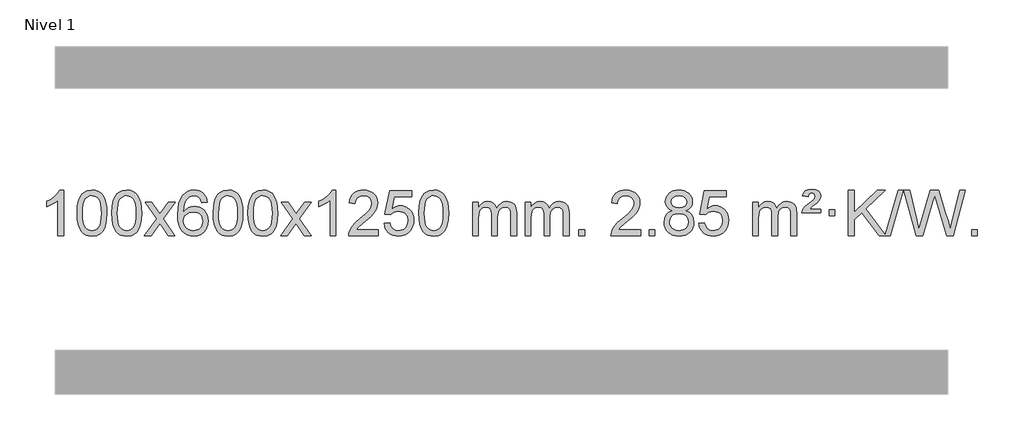
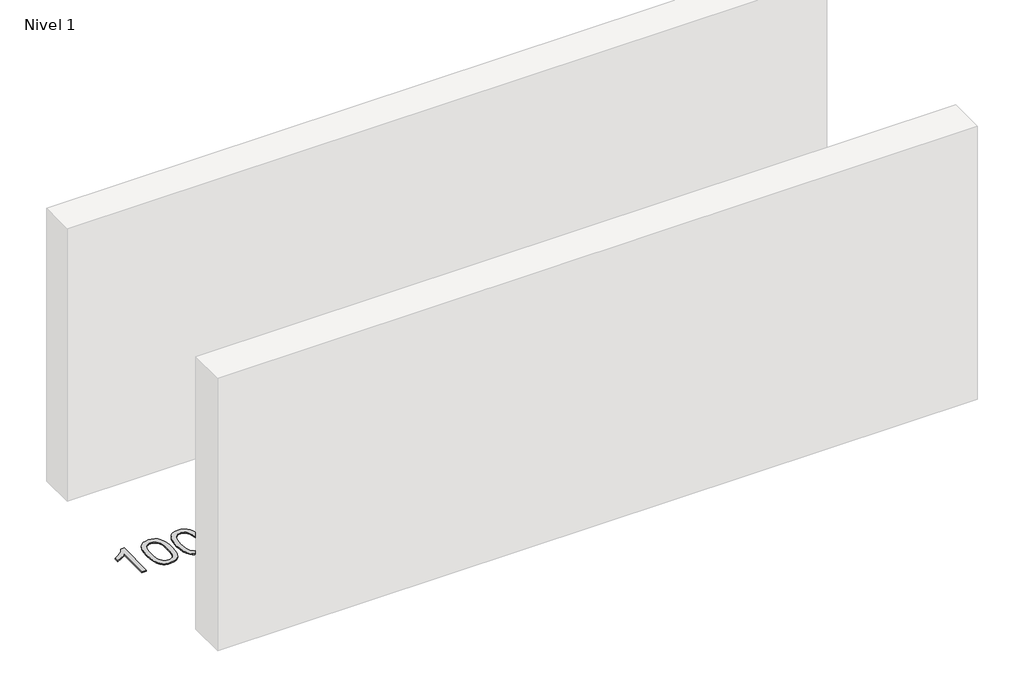
# One storey, part 6 of 6: 1 proxy.
"""IFC4 building model written with IfcOpenShell, lengths in millimetres."""

import ifcopenshell
import ifcopenshell.guid

model = None  # the IFC model being written
_history = None  # IfcOwnerHistory: only IFC2X3 demands one
_inside = {}  # id of a spatial element -> (the spatial element, [elements in it])
_under = {}  # id of a project, library or spatial element -> (it, [spatial elements below it])
_declared = {}  # id of a project -> (the project, [libraries it declares])
_typed = {}  # id of a type object -> (the type object, [elements of that type])
_made_of = {}  # id of a material, layer set ... -> (it, [elements and type objects made of it])


def new_model(schema):
    """Start an empty IFC model of exactly this schema.

    Asked for "IFC4X3", IfcOpenShell would pick the latest addendum, in which some entities
    have other attributes; the version numbers below select the first issue.
    IFC2X3 requires an IfcOwnerHistory on every rooted entity: one is made here for all.
    """
    global model, _history
    if schema == "IFC4X3":
        model = ifcopenshell.file(schema_version=(4, 3, 0, 0))
    else:
        model = ifcopenshell.file(schema=schema)
    _inside.clear()
    _under.clear()
    _declared.clear()
    _typed.clear()
    _made_of.clear()
    _history = None
    if model.schema == "IFC2X3":
        org = make("IfcOrganization", Name="unknown")
        user = make(
            "IfcPersonAndOrganization",
            ThePerson=make("IfcPerson", FamilyName="unknown"),
            TheOrganization=org,
        )
        app = make(
            "IfcApplication",
            ApplicationDeveloper=org,
            Version="unknown",
            ApplicationFullName="unknown",
            ApplicationIdentifier="unknown",
        )
        _history = make(
            "IfcOwnerHistory",
            OwningUser=user,
            OwningApplication=app,
            ChangeAction="ADDED",
            CreationDate=0,
        )
    return model


def make(cls, **values):
    """One entity of the class cls with the attributes given. An attribute that is None is left unset."""
    return model.create_entity(
        cls, **{name: value for name, value in values.items() if value is not None}
    )


def rooted(cls, **values):
    """An entity with a GlobalId (a new one), such as an element, a storey or a relation."""
    return make(cls, GlobalId=ifcopenshell.guid.new(), OwnerHistory=_history, **values)


def si_unit(unit_type, name, prefix=None):
    """IfcSIUnit, for example si_unit("LENGTHUNIT", "METRE", prefix="MILLI")."""
    return make("IfcSIUnit", UnitType=unit_type, Prefix=prefix, Name=name)


def assignment(units):
    """IfcUnitAssignment: the units of a project."""
    return None if units is None else make("IfcUnitAssignment", Units=units)


def point(xyz):
    """IfcCartesianPoint."""
    return None if xyz is None else make("IfcCartesianPoint", Coordinates=xyz)


def direction(xyz):
    """IfcDirection."""
    return None if xyz is None else make("IfcDirection", DirectionRatios=xyz)


def frame(location, z_axis=None, x_axis=None):
    """IfcAxis2Placement3D, a coordinate frame: its origin and axes. An axis left out is left unset."""
    return make(
        "IfcAxis2Placement3D",
        Location=point(location),
        Axis=direction(z_axis),
        RefDirection=direction(x_axis),
    )


def origin():
    """The frame at (0, 0, 0) with its axes left unset."""
    return frame((0.0, 0.0, 0.0))


def origin_with_axes():
    """The frame at (0, 0, 0) with the z axis (0, 0, 1) and the x axis (1, 0, 0) written out."""
    return frame((0.0, 0.0, 0.0), z_axis=(0.0, 0.0, 1.0), x_axis=(1.0, 0.0, 0.0))


def place(relative_to, where):
    """IfcLocalPlacement: puts the frame where relative to a parent placement (None: the world)."""
    return make(
        "IfcLocalPlacement", PlacementRelTo=relative_to, RelativePlacement=where
    )


def context(
    kind, dimensions, precision=None, world=None, true_north=None, identifier=None
):
    """IfcGeometricRepresentationContext, for example the 3D "Model" context."""
    return make(
        "IfcGeometricRepresentationContext",
        ContextIdentifier=identifier,
        ContextType=kind,
        CoordinateSpaceDimension=dimensions,
        Precision=precision,
        WorldCoordinateSystem=world,
        TrueNorth=true_north,
    )


def project(units=None, contexts=None):
    """IfcProject with its units and contexts."""
    return rooted(
        "IfcProject",
        Name="project",
        RepresentationContexts=contexts,
        UnitsInContext=assignment(units),
    )


def spatial(cls, under=None, at=None, **own):
    """A site, building, storey or space (cls), placed at a placement, below another one or the project."""
    s = rooted(cls, ObjectPlacement=at, **own)
    if under is not None:
        _under.setdefault(under.id(), (under, []))[1].append(s)
    return s


def polyline(points):
    """IfcPolyline through the points."""
    return make("IfcPolyline", Points=[point(p) for p in points])


def outline(outer, holes=None, kind="AREA"):
    """IfcArbitraryClosedProfileDef: a profile drawn as a closed curve; with holes, ...WithVoids."""
    if holes is None:
        return make("IfcArbitraryClosedProfileDef", ProfileType=kind, OuterCurve=outer)
    return make(
        "IfcArbitraryProfileDefWithVoids",
        ProfileType=kind,
        OuterCurve=outer,
        InnerCurves=holes,
    )


def extrude(swept, where, along, depth):
    """IfcExtrudedAreaSolid: the profile swept, set in the frame where, extruded along a direction by depth."""
    return make(
        "IfcExtrudedAreaSolid",
        SweptArea=swept,
        Position=where,
        ExtrudedDirection=direction(along),
        Depth=depth,
    )


def shape(context_of_items, identifier, shape_type, items):
    """IfcShapeRepresentation: the items that make up one representation, for example the "Body"."""
    return make(
        "IfcShapeRepresentation",
        ContextOfItems=context_of_items,
        RepresentationIdentifier=identifier,
        RepresentationType=shape_type,
        Items=items,
    )


def made_of(thing, what):
    """Note that an element or type object is made of a material, layer set ...; save() writes the relation."""
    if what is not None:
        _made_of.setdefault(what.id(), (what, []))[1].append(thing)
    return thing


def element(
    cls,
    number,
    at=None,
    inside=None,
    cuts=None,
    type_object=None,
    material=None,
    context=None,
    identifier="Body",
    shape_type=None,
    held_by="IfcProductDefinitionShape",
    body=None,
    shapes=None,
    **own,
):
    """One element of the class cls, such as IfcWall. Its Tag is "e" and its number.

    at: its placement. inside: the storey or other place that contains it. cuts: it is an
    opening in that element (IfcRelVoidsElement). A single representation is given by context,
    identifier, shape_type and body (its items); several are given by shapes. held_by: the class
    of the entity that holds the representations. save() writes the other relations.
    """
    e = rooted(cls, Tag="e%d" % number, ObjectPlacement=at, **own)
    if body is not None:
        shapes = [shape(context, identifier, shape_type, body)]
    if shapes is not None:
        e.Representation = make(held_by, Representations=shapes)
    if inside is not None:
        _inside.setdefault(inside.id(), (inside, []))[1].append(e)
    if cuts is not None:
        rooted(
            "IfcRelVoidsElement", RelatingBuildingElement=cuts, RelatedOpeningElement=e
        )
    if type_object is not None:
        _typed.setdefault(type_object.id(), (type_object, []))[1].append(e)
    return made_of(e, material)


def aggregate(whole, parts):
    """IfcRelAggregates: a whole, such as a stair, and the parts it consists of."""
    return rooted("IfcRelAggregates", RelatingObject=whole, RelatedObjects=parts)


def save(model, path):
    """Write the relations noted so far, then the file.

    IfcRelAggregates (storeys below a building ...), IfcRelContainedInSpatialStructure (elements
    in a storey), IfcRelDefinesByType, IfcRelAssociatesMaterial and IfcRelDeclares: one each for
    every whole, place, type object, material and project.
    """
    for whole, parts in _under.values():
        aggregate(whole, parts)
    for where, things in _inside.values():
        rooted(
            "IfcRelContainedInSpatialStructure",
            RelatedElements=things,
            RelatingStructure=where,
        )
    for kind, things in _typed.values():
        rooted("IfcRelDefinesByType", RelatedObjects=things, RelatingType=kind)
    for what, things in _made_of.values():
        rooted("IfcRelAssociatesMaterial", RelatedObjects=things, RelatingMaterial=what)
    for by, libraries in _declared.values():
        rooted("IfcRelDeclares", RelatingContext=by, RelatedDefinitions=libraries)
    model.write(path)


model = new_model("IFC4")

# Units and contexts
model_context = context("Model", 3, world=origin())
ifc_project = project(units=[si_unit("LENGTHUNIT", "METRE", prefix="MILLI")], contexts=[model_context])

# Site, building, storey
site = spatial("IfcSite", under=ifc_project)
building = spatial("IfcBuilding", under=site)
storey = spatial("IfcBuildingStorey", under=building, Name="Nivel 1", Elevation=0.0)

# Proxy
placement = place(None, origin())
element("IfcBuildingElementProxy", 1, Name="Texto de modelo 1", ObjectType="Texto de modelo 1", at=placement, inside=storey, context=model_context, shape_type="SweptSolid", body=[
    extrude(outline(polyline([(-13245.4422492, -10099.6168569), (-13295.6704043, -10099.6168569), (-13295.6704043, -9786.4757026), (-13316.639678, -9803.4350626), (-13343.249809, -9820.3698971), (-13396.1267145, -9845.7292293), (-13396.1267145, -9798.2479264), (-13356.6775018, -9776.7881434), (-13322.5012645, -9751.2571329), (-13295.5600397, -9724.1074417), (-13277.8158648, -9697.7916163), (-13245.4422492, -9697.7916163), (-13245.4422492, -10099.6168569)])), origin_with_axes(), (0.0, 0.0, 1.0), 10.0),
    extrude(outline(polyline([(-13126.1503809, -9901.9415981), (-13122.4592982, -9837.6235626), (-13111.3860502, -9786.3285498), (-13093.0410014, -9747.2717446), (-13081.1829384, -9732.0383643), (-13067.5345164, -9719.6683323), (-13052.0497501, -9710.097269), (-13034.6826542, -9703.2607953), (-12994.3014739, -9697.7916163), (-12963.3503353, -9701.0289778), (-12935.6365584, -9710.7410625), (-12912.4599927, -9726.5477256), (-12895.120488, -9748.0688223), (-12882.0238889, -9775.1204117), (-12871.5760403, -9807.5185527), (-12864.7334352, -9848.6600225), (-12862.4525668, -9901.9415981), (-12866.1068613, -9965.8917516), (-12877.0697447, -10017.0641372), (-12895.304429, -10056.1577305), (-12907.1349008, -10071.437096), (-12920.7741258, -10083.8715075), (-12936.2772862, -10093.5069501), (-12953.6995643, -10100.3894091), (-12994.3014739, -10105.8953763), (-13021.9661999, -10103.5041433), (-13046.4916662, -10096.3304444), (-13067.8778729, -10084.3742795), (-13086.1248199, -10067.6356488), (-13103.6360028, -10037.3773547), (-13116.1439907, -9999.6755815), (-13123.6487834, -9954.5303293), (-13126.1503809, -9901.9415981)]), holes=[polyline([(-13075.9222259, -9901.8434963), (-13074.4506979, -9945.5080234), (-13070.0361139, -9980.8522861), (-13062.678474, -10007.8762843), (-13052.3777782, -10026.5800181), (-13039.9188413, -10039.3056694), (-13026.0864782, -10048.3954204), (-13010.8806891, -10053.849271), (-12994.3014739, -10055.6672212), (-12977.7222586, -10053.8431396), (-12962.5164695, -10048.3708949), (-12948.6841065, -10039.2504871), (-12936.2251696, -10026.4819162), (-12925.9244737, -10007.7475256), (-12918.5668338, -9980.7296588), (-12914.1522498, -9945.4283156), (-12912.6807219, -9901.8434963), (-12914.1031989, -9859.3347317), (-12918.3706301, -9824.6128027), (-12925.4830153, -9797.6777093), (-12935.4403546, -9778.5294515), (-12947.6908251, -9765.1814664), (-12961.6826036, -9755.6471914), (-12977.4156903, -9749.9266264), (-12994.8900851, -9748.0197713), (-13011.3834612, -9749.6997658), (-13026.3317329, -9754.7397491), (-13039.7349003, -9763.1397213), (-13051.5929632, -9774.8996825), (-13062.2370156, -9795.7463289), (-13069.8399102, -9823.8525133), (-13074.4016469, -9859.2182358), (-13075.9222259, -9901.8434963)])]), origin_with_axes(), (0.0, 0.0, 1.0), 10.0),
    extrude(outline(polyline([(-12818.5029311, -9901.9415981), (-12814.8118484, -9837.6235626), (-12803.7386004, -9786.3285498), (-12785.3935515, -9747.2717446), (-12773.5354886, -9732.0383643), (-12759.8870665, -9719.6683323), (-12744.4023002, -9710.097269), (-12727.0352044, -9703.2607953), (-12686.654024, -9697.7916163), (-12655.7028855, -9701.0289778), (-12627.9891085, -9710.7410625), (-12604.8125428, -9726.5477256), (-12587.4730381, -9748.0688223), (-12574.3764391, -9775.1204117), (-12563.9285904, -9807.5185527), (-12557.0859853, -9848.6600225), (-12554.805117, -9901.9415981), (-12558.4594114, -9965.8917516), (-12569.4222949, -10017.0641372), (-12587.6569791, -10056.1577305), (-12599.487451, -10071.437096), (-12613.1266759, -10083.8715075), (-12628.6298363, -10093.5069501), (-12646.0521145, -10100.3894091), (-12686.654024, -10105.8953763), (-12714.3187501, -10103.5041433), (-12738.8442164, -10096.3304444), (-12760.2304231, -10084.3742795), (-12778.47737, -10067.6356488), (-12795.988553, -10037.3773547), (-12808.4965408, -9999.6755815), (-12816.0013335, -9954.5303293), (-12818.5029311, -9901.9415981)]), holes=[polyline([(-12768.274776, -9901.8434963), (-12766.803248, -9945.5080234), (-12762.3886641, -9980.8522861), (-12755.0310242, -10007.8762843), (-12744.7303283, -10026.5800181), (-12732.2713914, -10039.3056694), (-12718.4390284, -10048.3954204), (-12703.2332393, -10053.849271), (-12686.654024, -10055.6672212), (-12670.0748088, -10053.8431396), (-12654.8690196, -10048.3708949), (-12641.0366566, -10039.2504871), (-12628.5777197, -10026.4819162), (-12618.2770239, -10007.7475256), (-12610.919384, -9980.7296588), (-12606.5048, -9945.4283156), (-12605.033272, -9901.8434963), (-12606.4557491, -9859.3347317), (-12610.7231802, -9824.6128027), (-12617.8355655, -9797.6777093), (-12627.7929048, -9778.5294515), (-12640.0433752, -9765.1814664), (-12654.0351538, -9755.6471914), (-12669.7682404, -9749.9266264), (-12687.2426352, -9748.0197713), (-12703.7360113, -9749.6997658), (-12718.6842831, -9754.7397491), (-12732.0874504, -9763.1397213), (-12743.9455134, -9774.8996825), (-12754.5895658, -9795.7463289), (-12762.1924604, -9823.8525133), (-12766.7541971, -9859.2182358), (-12768.274776, -9901.8434963)])]), origin_with_axes(), (0.0, 0.0, 1.0), 10.0),
    extrude(outline(polyline([(-12529.6910394, -10099.6168569), (-12422.3675987, -9951.2868364), (-12523.41252, -9804.5264458), (-12462.981771, -9804.5264458), (-12414.2251439, -9875.1597889), (-12391.4655111, -9908.5144231), (-12371.7470362, -9881.2421045), (-12316.2213804, -9804.5264458), (-12255.7906313, -9804.5264458), (-12361.9368496, -9951.2868364), (-12259.7147059, -10099.6168569), (-12320.145455, -10099.6168569), (-12381.6553246, -10010.4422612), (-12392.9370391, -9994.1573516), (-12469.2602903, -10099.6168569), (-12529.6910394, -10099.6168569)])), origin_with_axes(), (0.0, 0.0, 1.0), 10.0),
    extrude(outline(polyline([(-11970.9028142, -9804.5264458), (-12021.1309693, -9810.8049652), (-12029.2243732, -9785.9116168), (-12040.1627312, -9768.9154687), (-12062.9468894, -9753.2436957), (-12090.4889881, -9748.0197713), (-12113.8372321, -9751.0609292), (-12135.8120499, -9760.1844027), (-12154.6843963, -9779.4001055), (-12170.0986519, -9805.850821), (-12180.5097123, -9843.2644199), (-12184.3724733, -9895.3687731), (-12164.2248027, -9871.8611137), (-12140.0794811, -9855.2941611), (-12113.2854091, -9845.4717119), (-12085.1914874, -9842.1975621), (-12061.0584285, -9844.4355109), (-12038.7893051, -9851.1493573), (-12018.3841171, -9862.3391013), (-11999.8428645, -9878.004743), (-11984.4347403, -9897.2143145), (-11973.4289372, -9919.0358482), (-11966.8254554, -9943.469344), (-11964.6242948, -9970.514802), (-11968.7690986, -10006.4813984), (-11981.2035101, -10039.8237699), (-12000.8974596, -10068.1016326), (-12026.8208775, -10088.8747026), (-12057.7965415, -10101.6402078), (-12092.6472291, -10105.8953763), (-12122.5897579, -10103.0749476), (-12149.6321502, -10094.6136617), (-12173.7744061, -10080.5115186), (-12195.0165257, -10060.7685182), (-12212.3345706, -10034.5507947), (-12224.7046027, -10001.0244822), (-12232.1266219, -9960.1895807), (-12234.6006284, -9912.0460903), (-12231.8537761, -9858.0716702), (-12223.6132194, -9812.006713), (-12209.8789583, -9773.8512188), (-12190.6509927, -9743.6051874), (-12169.8104776, -9723.56175), (-12145.6467619, -9709.2450091), (-12118.1598455, -9700.6549645), (-12087.3497284, -9697.7916163), (-12064.2160823, -9699.5635812), (-12043.2774654, -9704.879476), (-12024.5338777, -9713.7393008), (-12007.9853193, -9726.1430554), (-11994.0793799, -9741.6738069), (-11983.2636492, -9759.9146225), (-11975.5381274, -9780.8655021), (-11970.9028142, -9804.5264458)]), holes=[polyline([(-12184.3724733, -9969.7299871), (-12181.4662055, -9991.9868478), (-12172.7474022, -10013.2381644), (-12159.2093448, -10031.5096368), (-12141.8453146, -10044.8269651), (-12120.8883036, -10052.9571571), (-12096.5713038, -10055.6672212), (-12063.425136, -10050.0508894), (-12049.5099995, -10043.0304746), (-12037.366828, -10033.201894), (-12027.5167876, -10020.9636863), (-12020.4810444, -10006.7143904), (-12014.8524499, -9972.1825337), (-12020.407468, -9939.036366), (-12027.3512407, -9925.4155351), (-12037.0725224, -9913.7628729), (-12049.2524821, -9904.4278673), (-12063.5722888, -9897.7600061), (-12098.6314429, -9892.4257172), (-12131.7285598, -9897.7600061), (-12159.4055485, -9913.7628729), (-12170.3285781, -9925.2622509), (-12178.1307421, -9938.4232293), (-12182.8120405, -9953.245808), (-12184.3724733, -9969.7299871)])]), origin_with_axes(), (0.0, 0.0, 1.0), 10.0),
    extrude(outline(polyline([(-11920.6746591, -9901.9415981), (-11916.9835765, -9837.6235626), (-11905.9103284, -9786.3285498), (-11887.5652796, -9747.2717446), (-11875.7072166, -9732.0383643), (-11862.0587946, -9719.6683323), (-11846.5740283, -9710.097269), (-11829.2069324, -9703.2607953), (-11788.8257521, -9697.7916163), (-11757.8746135, -9701.0289778), (-11730.1608366, -9710.7410625), (-11706.9842709, -9726.5477256), (-11689.6447662, -9748.0688223), (-11676.5481671, -9775.1204117), (-11666.1003185, -9807.5185527), (-11659.2577134, -9848.6600225), (-11656.976845, -9901.9415981), (-11660.6311395, -9965.8917516), (-11671.5940229, -10017.0641372), (-11689.8287072, -10056.1577305), (-11701.659179, -10071.437096), (-11715.298404, -10083.8715075), (-11730.8015644, -10093.5069501), (-11748.2238425, -10100.3894091), (-11788.8257521, -10105.8953763), (-11816.4904781, -10103.5041433), (-11841.0159444, -10096.3304444), (-11862.4021511, -10084.3742795), (-11880.6490981, -10067.6356488), (-11898.160281, -10037.3773547), (-11910.6682689, -9999.6755815), (-11918.1730616, -9954.5303293), (-11920.6746591, -9901.9415981)]), holes=[polyline([(-11870.4465041, -9901.8434963), (-11868.9749761, -9945.5080234), (-11864.5603921, -9980.8522861), (-11857.2027522, -10007.8762843), (-11846.9020564, -10026.5800181), (-11834.4431195, -10039.3056694), (-11820.6107564, -10048.3954204), (-11805.4049673, -10053.849271), (-11788.8257521, -10055.6672212), (-11772.2465368, -10053.8431396), (-11757.0407477, -10048.3708949), (-11743.2083847, -10039.2504871), (-11730.7494478, -10026.4819162), (-11720.4487519, -10007.7475256), (-11713.091112, -9980.7296588), (-11708.676528, -9945.4283156), (-11707.2050001, -9901.8434963), (-11708.6274771, -9859.3347317), (-11712.8949083, -9824.6128027), (-11720.0072935, -9797.6777093), (-11729.9646328, -9778.5294515), (-11742.2151033, -9765.1814664), (-11756.2068818, -9755.6471914), (-11771.9399685, -9749.9266264), (-11789.4143633, -9748.0197713), (-11805.9077394, -9749.6997658), (-11820.8560111, -9754.7397491), (-11834.2591785, -9763.1397213), (-11846.1172414, -9774.8996825), (-11856.7612938, -9795.7463289), (-11864.3641884, -9823.8525133), (-11868.9259251, -9859.2182358), (-11870.4465041, -9901.8434963)])]), origin_with_axes(), (0.0, 0.0, 1.0), 10.0),
    extrude(outline(polyline([(-11613.0272093, -9901.9415981), (-11609.3361266, -9837.6235626), (-11598.2628786, -9786.3285498), (-11579.9178297, -9747.2717446), (-11568.0597668, -9732.0383643), (-11554.4113447, -9719.6683323), (-11538.9265784, -9710.097269), (-11521.5594826, -9703.2607953), (-11481.1783022, -9697.7916163), (-11450.2271637, -9701.0289778), (-11422.5133867, -9710.7410625), (-11399.336821, -9726.5477256), (-11381.9973163, -9748.0688223), (-11368.9007173, -9775.1204117), (-11358.4528686, -9807.5185527), (-11351.6102635, -9848.6600225), (-11349.3293952, -9901.9415981), (-11352.9836896, -9965.8917516), (-11363.9465731, -10017.0641372), (-11382.1812573, -10056.1577305), (-11394.0117292, -10071.437096), (-11407.6509541, -10083.8715075), (-11423.1541145, -10093.5069501), (-11440.5763927, -10100.3894091), (-11481.1783022, -10105.8953763), (-11508.8430283, -10103.5041433), (-11533.3684946, -10096.3304444), (-11554.7547013, -10084.3742795), (-11573.0016482, -10067.6356488), (-11590.5128312, -10037.3773547), (-11603.020819, -9999.6755815), (-11610.5256117, -9954.5303293), (-11613.0272093, -9901.9415981)]), holes=[polyline([(-11562.7990542, -9901.8434963), (-11561.3275262, -9945.5080234), (-11556.9129423, -9980.8522861), (-11549.5553024, -10007.8762843), (-11539.2546065, -10026.5800181), (-11526.7956696, -10039.3056694), (-11512.9633066, -10048.3954204), (-11497.7575175, -10053.849271), (-11481.1783022, -10055.6672212), (-11464.599087, -10053.8431396), (-11449.3932978, -10048.3708949), (-11435.5609348, -10039.2504871), (-11423.1019979, -10026.4819162), (-11412.8013021, -10007.7475256), (-11405.4436622, -9980.7296588), (-11401.0290782, -9945.4283156), (-11399.5575502, -9901.8434963), (-11400.9800273, -9859.3347317), (-11405.2474584, -9824.6128027), (-11412.3598437, -9797.6777093), (-11422.317183, -9778.5294515), (-11434.5676534, -9765.1814664), (-11448.559432, -9755.6471914), (-11464.2925187, -9749.9266264), (-11481.7669134, -9748.0197713), (-11498.2602895, -9749.6997658), (-11513.2085613, -9754.7397491), (-11526.6117286, -9763.1397213), (-11538.4697916, -9774.8996825), (-11549.113844, -9795.7463289), (-11556.7167386, -9823.8525133), (-11561.2784753, -9859.2182358), (-11562.7990542, -9901.8434963)])]), origin_with_axes(), (0.0, 0.0, 1.0), 10.0),
    extrude(outline(polyline([(-11324.2153176, -10099.6168569), (-11216.8918769, -9951.2868364), (-11317.9367982, -9804.5264458), (-11257.5060492, -9804.5264458), (-11208.7494221, -9875.1597889), (-11185.9897893, -9908.5144231), (-11166.2713144, -9881.2421045), (-11110.7456586, -9804.5264458), (-11050.3149095, -9804.5264458), (-11156.4611278, -9951.2868364), (-11054.2389841, -10099.6168569), (-11114.6697332, -10099.6168569), (-11176.1796028, -10010.4422612), (-11187.4613173, -9994.1573516), (-11263.7845685, -10099.6168569), (-11324.2153176, -10099.6168569)])), origin_with_axes(), (0.0, 0.0, 1.0), 10.0),
    extrude(outline(polyline([(-10834.4908056, -10099.6168569), (-10884.7189607, -10099.6168569), (-10884.7189607, -9786.4757026), (-10905.6882344, -9803.4350626), (-10932.2983654, -9820.3698971), (-10985.1752709, -9845.7292293), (-10985.1752709, -9798.2479264), (-10945.7260583, -9776.7881434), (-10911.5498209, -9751.2571329), (-10884.6085961, -9724.1074417), (-10866.8644212, -9697.7916163), (-10834.4908056, -9697.7916163), (-10834.4908056, -10099.6168569)])), origin_with_axes(), (0.0, 0.0, 1.0), 10.0),
    extrude(outline(polyline([(-10457.7796426, -10049.3887018), (-10457.7796426, -10099.6168569), (-10721.4774567, -10099.6168569), (-10720.3738107, -10081.9339956), (-10716.0818541, -10064.9868984), (-10703.6964936, -10037.9230463), (-10685.572174, -10011.6685346), (-10659.3544505, -9984.1877495), (-10622.6888783, -9953.4450775), (-10568.4875977, -9905.301587), (-10535.9668293, -9869.7641863), (-10519.7064451, -9840.9222379), (-10514.286317, -9812.8651044), (-10519.3998768, -9787.7142386), (-10534.740556, -9766.8062786), (-10558.3217919, -9752.7163982), (-10588.1570217, -9748.0197713), (-10619.4883049, -9752.6060336), (-10643.8298303, -9766.3648202), (-10659.5383915, -9788.2170107), (-10664.9707823, -9817.0834846), (-10715.1989373, -9810.8049652), (-10710.8793896, -9784.8754159), (-10703.0220433, -9762.2200164), (-10691.6268985, -9742.8387666), (-10676.6939552, -9726.7316666), (-10658.5665699, -9714.0703946), (-10637.5880991, -9705.0266288), (-10613.7585429, -9699.6003694), (-10587.0779012, -9697.7916163), (-10560.1581362, -9699.8027045), (-10536.1998212, -9705.8359692), (-10515.2029563, -9715.8914104), (-10497.1675415, -9729.9690281), (-10482.682188, -9747.02649), (-10472.3355069, -9766.0214636), (-10466.1274982, -9786.9539492), (-10464.058162, -9809.8239465), (-10466.2899794, -9833.8466408), (-10472.9854317, -9857.4524022), (-10484.8680202, -9881.4628337), (-10502.661246, -9906.6995386), (-10531.0249478, -9936.829074), (-10574.6189643, -9975.5179972), (-10632.400963, -10023.8331659), (-10655.0624939, -10049.3887018), (-10457.7796426, -10049.3887018)])), origin_with_axes(), (0.0, 0.0, 1.0), 10.0),
    extrude(outline(polyline([(-10407.5514875, -9992.8820273), (-10357.3233324, -9986.603508), (-10348.1017571, -10016.7575688), (-10332.0130512, -10038.3522419), (-10309.1307911, -10051.3384764), (-10279.5285532, -10055.6672212), (-10260.3986894, -10054.1619707), (-10243.5251686, -10049.6462192), (-10228.9079907, -10042.1199667), (-10216.5471556, -10031.5832132), (-10206.718575, -10018.5571249), (-10199.6981602, -10003.5628679), (-10194.0818284, -9967.6698479), (-10199.342541, -9933.8737553), (-10205.9184316, -9919.9555532), (-10215.1246786, -9908.0239138), (-10226.9919386, -9898.4528505), (-10241.5508686, -9891.6163768), (-10278.7437383, -9886.1471978), (-10303.1097891, -9888.3299643), (-10322.8405268, -9894.8782638), (-10338.5981389, -9904.9091796), (-10351.044813, -9917.5397947), (-10401.2729681, -9911.2612753), (-10357.3233324, -9704.0701357), (-10162.6892315, -9704.0701357), (-10162.6892315, -9754.2982907), (-10316.7091602, -9754.2982907), (-10338.1934687, -9864.9571949), (-10320.4676879, -9852.2530033), (-10302.3127114, -9843.1785808), (-10283.7285393, -9837.7339272), (-10264.7151715, -9835.9190427), (-10240.2540845, -9838.1692543), (-10217.7856917, -9844.9198889), (-10197.3099929, -9856.1709466), (-10178.8269884, -9871.9224273), (-10163.5261631, -9891.2117066), (-10152.5970021, -9913.0761598), (-10146.0395056, -9937.5157871), (-10143.8536734, -9964.5305882), (-10145.821842, -9990.552108), (-10151.7263481, -10014.7587433), (-10161.5671914, -10037.1504941), (-10175.3443722, -10057.7273604), (-10196.215544, -10078.8008673), (-10220.5693321, -10093.8533723), (-10248.4057364, -10102.8848753), (-10279.7247569, -10105.8953763), (-10305.6451092, -10103.9609301), (-10329.0577325, -10098.1575916), (-10349.9626268, -10088.4853608), (-10368.3597923, -10074.9442377), (-10383.666749, -10058.2086726), (-10395.3010171, -10038.9531159), (-10403.2625966, -10017.1775674), (-10407.5514875, -9992.8820273)])), origin_with_axes(), (0.0, 0.0, 1.0), 10.0),
    extrude(outline(polyline([(-10099.9040377, -9901.9415981), (-10096.212955, -9837.6235626), (-10085.1397069, -9786.3285498), (-10066.7946581, -9747.2717446), (-10054.9365951, -9732.0383643), (-10041.2881731, -9719.6683323), (-10025.8034068, -9710.097269), (-10008.4363109, -9703.2607953), (-9968.0551306, -9697.7916163), (-9937.1039921, -9701.0289778), (-9909.3902151, -9710.7410625), (-9886.2136494, -9726.5477256), (-9868.8741447, -9748.0688223), (-9855.7775457, -9775.1204117), (-9845.329697, -9807.5185527), (-9838.4870919, -9848.6600225), (-9836.2062235, -9901.9415981), (-9839.860518, -9965.8917516), (-9850.8234015, -10017.0641372), (-9869.0580857, -10056.1577305), (-9880.8885575, -10071.437096), (-9894.5277825, -10083.8715075), (-9910.0309429, -10093.5069501), (-9927.4532211, -10100.3894091), (-9968.0551306, -10105.8953763), (-9995.7198566, -10103.5041433), (-10020.245323, -10096.3304444), (-10041.6315296, -10084.3742795), (-10059.8784766, -10067.6356488), (-10077.3896596, -10037.3773547), (-10089.8976474, -9999.6755815), (-10097.4024401, -9954.5303293), (-10099.9040377, -9901.9415981)]), holes=[polyline([(-10049.6758826, -9901.8434963), (-10048.2043546, -9945.5080234), (-10043.7897707, -9980.8522861), (-10036.4321308, -10007.8762843), (-10026.1314349, -10026.5800181), (-10013.672498, -10039.3056694), (-9999.840135, -10048.3954204), (-9984.6343459, -10053.849271), (-9968.0551306, -10055.6672212), (-9951.4759154, -10053.8431396), (-9936.2701262, -10048.3708949), (-9922.4377632, -10039.2504871), (-9909.9788263, -10026.4819162), (-9899.6781304, -10007.7475256), (-9892.3204905, -9980.7296588), (-9887.9059066, -9945.4283156), (-9886.4343786, -9901.8434963), (-9887.8568557, -9859.3347317), (-9892.1242868, -9824.6128027), (-9899.236672, -9797.6777093), (-9909.1940114, -9778.5294515), (-9921.4444818, -9765.1814664), (-9935.4362604, -9755.6471914), (-9951.169347, -9749.9266264), (-9968.6437418, -9748.0197713), (-9985.1371179, -9749.6997658), (-10000.0853897, -9754.7397491), (-10013.488557, -9763.1397213), (-10025.34662, -9774.8996825), (-10035.9906724, -9795.7463289), (-10043.5935669, -9823.8525133), (-10048.1553037, -9859.2182358), (-10049.6758826, -9901.8434963)])]), origin_with_axes(), (0.0, 0.0, 1.0), 10.0),
    extrude(outline(polyline([(-9622.7365645, -10099.6168569), (-9622.7365645, -9804.5264458), (-9572.5084094, -9804.5264458), (-9572.5084094, -9853.0868692), (-9557.4007221, -9830.7809575), (-9537.9765528, -9813.3065628), (-9514.8980889, -9802.0125855), (-9488.8275182, -9798.2479264), (-9460.8930121, -9802.0861619), (-9438.5012613, -9813.6008684), (-9421.7748932, -9832.0317563), (-9410.8365352, -9856.6185363), (-9392.5282746, -9831.0813945), (-9371.64484, -9812.8405789), (-9348.1862315, -9801.8960895), (-9322.1524489, -9798.2479264), (-9302.0446322, -9799.7654397), (-9284.3954935, -9804.3179793), (-9269.2050328, -9811.9055455), (-9256.4732501, -9822.5281381), (-9246.4086118, -9836.3083845), (-9239.2195845, -9853.368912), (-9234.9061681, -9873.7097207), (-9233.4683626, -9897.3308105), (-9233.4683626, -10099.6168569), (-9283.6965177, -10099.6168569), (-9283.6965177, -9918.9132208), (-9284.8614774, -9893.860457), (-9288.3563563, -9876.9746734), (-9294.9046558, -9865.410916), (-9305.2298772, -9856.3242307), (-9318.5104172, -9850.4381188), (-9333.9246728, -9848.4760815), (-9361.1356777, -9853.5038021), (-9383.318962, -9868.5869639), (-9391.924335, -9880.1568526), (-9398.07103, -9894.7556365), (-9402.988386, -9933.0398895), (-9402.988386, -10099.6168569), (-9453.2165411, -10099.6168569), (-9453.2165411, -9913.3214145), (-9456.1228088, -9884.9209245), (-9464.8416121, -9864.6628893), (-9480.1822913, -9852.5227834), (-9502.9541868, -9848.4760815), (-9522.3047798, -9851.1738828), (-9540.1347938, -9859.2672867), (-9554.8500736, -9872.5600894), (-9564.8564639, -9890.8560873), (-9570.595423, -9916.239945), (-9572.5084094, -9950.7963271), (-9572.5084094, -10099.6168569), (-9622.7365645, -10099.6168569)])), origin_with_axes(), (0.0, 0.0, 1.0), 10.0),
    extrude(outline(polyline([(-9158.12613, -10099.6168569), (-9158.12613, -9804.5264458), (-9107.8979749, -9804.5264458), (-9107.8979749, -9853.0868692), (-9092.7902877, -9830.7809575), (-9073.3661183, -9813.3065628), (-9050.2876545, -9802.0125855), (-9024.2170838, -9798.2479264), (-8996.2825776, -9802.0861619), (-8973.8908268, -9813.6008684), (-8957.1644588, -9832.0317563), (-8946.2261008, -9856.6185363), (-8927.9178402, -9831.0813945), (-8907.0344056, -9812.8405789), (-8883.575797, -9801.8960895), (-8857.5420145, -9798.2479264), (-8837.4341978, -9799.7654397), (-8819.7850591, -9804.3179793), (-8804.5945983, -9811.9055455), (-8791.8628156, -9822.5281381), (-8781.7981774, -9836.3083845), (-8774.6091501, -9853.368912), (-8770.2957337, -9873.7097207), (-8768.8579282, -9897.3308105), (-8768.8579282, -10099.6168569), (-8819.0860833, -10099.6168569), (-8819.0860833, -9918.9132208), (-8820.2510429, -9893.860457), (-8823.7459219, -9876.9746734), (-8830.2942214, -9865.410916), (-8840.6194427, -9856.3242307), (-8853.8999827, -9850.4381188), (-8869.3142383, -9848.4760815), (-8896.5252433, -9853.5038021), (-8918.7085276, -9868.5869639), (-8927.3139006, -9880.1568526), (-8933.4605956, -9894.7556365), (-8938.3779516, -9933.0398895), (-8938.3779516, -10099.6168569), (-8988.6061066, -10099.6168569), (-8988.6061066, -9913.3214145), (-8991.5123744, -9884.9209245), (-9000.2311777, -9864.6628893), (-9015.5718569, -9852.5227834), (-9038.3437524, -9848.4760815), (-9057.6943453, -9851.1738828), (-9075.5243594, -9859.2672867), (-9090.2396392, -9872.5600894), (-9100.2460294, -9890.8560873), (-9105.9849886, -9916.239945), (-9107.8979749, -9950.7963271), (-9107.8979749, -10099.6168569), (-9158.12613, -10099.6168569)])), origin_with_axes(), (0.0, 0.0, 1.0), 10.0),
    extrude(outline(polyline([(-8680.9586568, -10099.6168569), (-8680.9586568, -10049.3887018), (-8630.7305017, -10049.3887018), (-8630.7305017, -10099.6168569), (-8680.9586568, -10099.6168569)])), origin_with_axes(), (0.0, 0.0, 1.0), 10.0),
    extrude(outline(polyline([(-8134.7274704, -10049.3887018), (-8134.7274704, -10099.6168569), (-8398.4252845, -10099.6168569), (-8397.3216385, -10081.9339956), (-8393.0296819, -10064.9868984), (-8380.6443214, -10037.9230463), (-8362.5200018, -10011.6685346), (-8336.3022783, -9984.1877495), (-8299.6367061, -9953.4450775), (-8245.4354255, -9905.301587), (-8212.9146571, -9869.7641863), (-8196.6542729, -9840.9222379), (-8191.2341448, -9812.8651044), (-8196.3477046, -9787.7142386), (-8211.6883838, -9766.8062786), (-8235.2696197, -9752.7163982), (-8265.1048495, -9748.0197713), (-8296.4361327, -9752.6060336), (-8320.7776581, -9766.3648202), (-8336.4862193, -9788.2170107), (-8341.9186101, -9817.0834846), (-8392.1467651, -9810.8049652), (-8387.8272174, -9784.8754159), (-8379.9698711, -9762.2200164), (-8368.5747263, -9742.8387666), (-8353.641783, -9726.7316666), (-8335.5143977, -9714.0703946), (-8314.5359269, -9705.0266288), (-8290.7063706, -9699.6003694), (-8264.0257289, -9697.7916163), (-8237.1059639, -9699.8027045), (-8213.147649, -9705.8359692), (-8192.1507841, -9715.8914104), (-8174.1153693, -9729.9690281), (-8159.6300158, -9747.02649), (-8149.2833346, -9766.0214636), (-8143.075326, -9786.9539492), (-8141.0059898, -9809.8239465), (-8143.2378072, -9833.8466408), (-8149.9332595, -9857.4524022), (-8161.815848, -9881.4628337), (-8179.6090738, -9906.6995386), (-8207.9727756, -9936.829074), (-8251.566792, -9975.5179972), (-8309.3487908, -10023.8331659), (-8332.0103217, -10049.3887018), (-8134.7274704, -10049.3887018)])), origin_with_axes(), (0.0, 0.0, 1.0), 10.0),
    extrude(outline(polyline([(-8059.3852378, -10099.6168569), (-8059.3852378, -10049.3887018), (-8009.1570827, -10049.3887018), (-8009.1570827, -10099.6168569), (-8059.3852378, -10099.6168569)])), origin_with_axes(), (0.0, 0.0, 1.0), 10.0),
    extrude(outline(polyline([(-7854.3523391, -9878.2990486), (-7881.244513, -9865.0552967), (-7900.1168593, -9847.1026554), (-7911.2636838, -9824.8090065), (-7914.9792919, -9798.542232), (-7912.9559409, -9778.0573363), (-7906.885888, -9759.2769604), (-7896.7691332, -9742.2011045), (-7882.6056763, -9726.8297684), (-7865.0760993, -9714.1255769), (-7844.8609836, -9705.0511543), (-7821.9603294, -9699.6065008), (-7796.3741367, -9697.7916163), (-7770.6653166, -9699.6494203), (-7747.5929841, -9705.2228326), (-7727.1571393, -9714.511853), (-7709.3577821, -9727.5164815), (-7694.9368079, -9743.1882545), (-7684.636112, -9760.4787082), (-7678.4556945, -9779.3878428), (-7676.3955553, -9799.9156581), (-7680.0621125, -9825.336304), (-7691.0617842, -9847.2498082), (-7709.5171976, -9865.0920849), (-7735.5509801, -9878.2990486), (-7704.6366298, -9894.228339), (-7682.1345144, -9917.6869475), (-7668.412516, -9947.5467028), (-7663.8385165, -9982.6794333), (-7666.1071222, -10007.7321972), (-7672.9129391, -10030.7002964), (-7684.2559673, -10051.583731), (-7700.1362067, -10070.382501), (-7719.7197916, -10085.9193839), (-7742.1728561, -10097.0171574), (-7767.4954001, -10103.6758215), (-7795.6874236, -10105.8953763), (-7823.8794472, -10103.6666245), (-7849.2019912, -10096.9803692), (-7871.6550556, -10085.8366105), (-7891.2386405, -10070.2353482), (-7907.11888, -10051.3047539), (-7918.4619081, -10030.1729989), (-7925.2677251, -10006.8400834), (-7927.5363307, -9981.3060072), (-7922.7783902, -9944.8121133), (-7908.5045688, -9914.7929425), (-7885.4506304, -9892.2785644), (-7854.3523391, -9878.2990486)]), holes=[polyline([(-7864.7511368, -9800.01376), (-7860.2997647, -9821.9395269), (-7846.9456483, -9839.4507099), (-7825.081195, -9850.9286281), (-7795.0988124, -9854.7546009), (-7765.8154056, -9850.9531536), (-7744.2820462, -9839.5488117), (-7731.0382943, -9822.62624), (-7726.6237104, -9802.2701029), (-7731.1854471, -9781.1414136), (-7744.8706574, -9763.6670189), (-7766.6983224, -9751.9315832), (-7795.6874236, -9748.0197713), (-7824.8604658, -9751.8457441), (-7846.6513427, -9763.3236623), (-7860.2261883, -9780.1481323), (-7864.7511368, -9800.01376)]), polyline([(-7877.3081756, -9979.5401736), (-7875.2112482, -9998.7558765), (-7868.9204661, -10017.3584427), (-7857.3076578, -10033.5820387), (-7839.2446518, -10045.6608309), (-7817.6131905, -10053.1656236), (-7795.2950162, -10055.6672212), (-7761.1065161, -10050.4065086), (-7747.2128394, -10043.830618), (-7735.4528783, -10034.6243711), (-7719.4132233, -10010.7243041), (-7714.0666716, -9981.1098035), (-7719.5849015, -9950.9925308), (-7736.1395913, -9926.5651663), (-7748.2183835, -9917.1228618), (-7762.3818403, -9910.3783586), (-7796.9627479, -9904.982756), (-7830.6730014, -9910.3047822), (-7844.4103282, -9916.9573149), (-7856.0691218, -9926.2708607), (-7871.9984122, -9950.2322414), (-7877.3081756, -9979.5401736)])]), origin_with_axes(), (0.0, 0.0, 1.0), 10.0),
    extrude(outline(polyline([(-7619.8888809, -9992.8820273), (-7569.6607258, -9986.603508), (-7560.4391504, -10016.7575688), (-7544.3504445, -10038.3522419), (-7521.4681844, -10051.3384764), (-7491.8659465, -10055.6672212), (-7472.7360828, -10054.1619707), (-7455.8625619, -10049.6462192), (-7441.245384, -10042.1199667), (-7428.884549, -10031.5832132), (-7419.0559683, -10018.5571249), (-7412.0355536, -10003.5628679), (-7406.4192218, -9967.6698479), (-7411.6799343, -9933.8737553), (-7418.255825, -9919.9555532), (-7427.4620719, -9908.0239138), (-7439.3293319, -9898.4528505), (-7453.8882619, -9891.6163768), (-7491.0811316, -9886.1471978), (-7515.4471824, -9888.3299643), (-7535.1779201, -9894.8782638), (-7550.9355322, -9904.9091796), (-7563.3822064, -9917.5397947), (-7613.6103615, -9911.2612753), (-7569.6607258, -9704.0701357), (-7375.0266249, -9704.0701357), (-7375.0266249, -9754.2982907), (-7529.0465535, -9754.2982907), (-7550.530862, -9864.9571949), (-7532.8050812, -9852.2530033), (-7514.6501048, -9843.1785808), (-7496.0659326, -9837.7339272), (-7477.0525649, -9835.9190427), (-7452.5914779, -9838.1692543), (-7430.123085, -9844.9198889), (-7409.6473863, -9856.1709466), (-7391.1643817, -9871.9224273), (-7375.8635564, -9891.2117066), (-7364.9343955, -9913.0761598), (-7358.3768989, -9937.5157871), (-7356.1910667, -9964.5305882), (-7358.1592354, -9990.552108), (-7364.0637414, -10014.7587433), (-7373.9045848, -10037.1504941), (-7387.6817655, -10057.7273604), (-7408.5529374, -10078.8008673), (-7432.9067254, -10093.8533723), (-7460.7431297, -10102.8848753), (-7492.0621503, -10105.8953763), (-7517.9825025, -10103.9609301), (-7541.3951258, -10098.1575916), (-7562.3000202, -10088.4853608), (-7580.6971856, -10074.9442377), (-7596.0041423, -10058.2086726), (-7607.6384104, -10038.9531159), (-7615.5999899, -10017.1775674), (-7619.8888809, -9992.8820273)])), origin_with_axes(), (0.0, 0.0, 1.0), 10.0),
    extrude(outline(polyline([(-7142.7214076, -10099.6168569), (-7142.7214076, -9804.5264458), (-7092.4932526, -9804.5264458), (-7092.4932526, -9853.0868692), (-7077.3855653, -9830.7809575), (-7057.961396, -9813.3065628), (-7034.8829321, -9802.0125855), (-7008.8123614, -9798.2479264), (-6980.8778552, -9802.0861619), (-6958.4861045, -9813.6008684), (-6941.7597364, -9832.0317563), (-6930.8213784, -9856.6185363), (-6912.5131178, -9831.0813945), (-6891.6296832, -9812.8405789), (-6868.1710746, -9801.8960895), (-6842.1372921, -9798.2479264), (-6822.0294754, -9799.7654397), (-6804.3803367, -9804.3179793), (-6789.189876, -9811.9055455), (-6776.4580932, -9822.5281381), (-6766.393455, -9836.3083845), (-6759.2044277, -9853.368912), (-6754.8910113, -9873.7097207), (-6753.4532058, -9897.3308105), (-6753.4532058, -10099.6168569), (-6803.6813609, -10099.6168569), (-6803.6813609, -9918.9132208), (-6804.8463205, -9893.860457), (-6808.3411995, -9876.9746734), (-6814.889499, -9865.410916), (-6825.2147203, -9856.3242307), (-6838.4952604, -9850.4381188), (-6853.909516, -9848.4760815), (-6881.1205209, -9853.5038021), (-6903.3038052, -9868.5869639), (-6911.9091782, -9880.1568526), (-6918.0558732, -9894.7556365), (-6922.9732292, -9933.0398895), (-6922.9732292, -10099.6168569), (-6973.2013843, -10099.6168569), (-6973.2013843, -9913.3214145), (-6976.107652, -9884.9209245), (-6984.8264553, -9864.6628893), (-7000.1671345, -9852.5227834), (-7022.93903, -9848.4760815), (-7042.289623, -9851.1738828), (-7060.119637, -9859.2672867), (-7074.8349168, -9872.5600894), (-7084.8413071, -9890.8560873), (-7090.5802662, -9916.239945), (-7092.4932526, -9950.7963271), (-7092.4932526, -10099.6168569), (-7142.7214076, -10099.6168569)])), origin_with_axes(), (0.0, 0.0, 1.0), 10.0),
    extrude(outline(polyline([(-6709.5035701, -9898.7042366), (-6705.6775974, -9882.8853108), (-6697.3389388, -9867.0173341), (-6675.8301048, -9841.878731), (-6643.8734222, -9814.1404286), (-6599.7275828, -9776.7636179), (-6592.5906721, -9765.2366487), (-6590.2117018, -9753.4153739), (-6592.1001627, -9741.324319), (-6597.7655455, -9731.538658), (-6607.1342736, -9725.0639348), (-6620.1327708, -9722.9056938), (-6632.5671822, -9724.5243746), (-6641.4208756, -9729.3804169), (-6647.8465477, -9738.8472469), (-6652.9968957, -9754.2982907), (-6703.2250507, -9748.0197713), (-6692.3847946, -9722.8075919), (-6675.7565284, -9705.247358), (-6651.9913515, -9694.9466622), (-6619.7403633, -9691.5130969), (-6583.9577079, -9695.645638), (-6559.2115124, -9708.0432612), (-6544.7905382, -9726.3760473), (-6539.9835467, -9748.3140769), (-6544.0792996, -9771.2208625), (-6556.3665583, -9792.8523238), (-6576.8943736, -9812.6689006), (-6613.3637421, -9840.7260341), (-6638.9683289, -9867.3116396), (-6539.9835467, -9867.3116396), (-6539.9835467, -9898.7042366), (-6709.5035701, -9898.7042366)])), origin_with_axes(), (0.0, 0.0, 1.0), 10.0),
    extrude(outline(polyline([(-6464.6413141, -9923.8183141), (-6464.6413141, -9873.590159), (-6414.4131591, -9873.590159), (-6414.4131591, -9923.8183141), (-6464.6413141, -9923.8183141)])), origin_with_axes(), (0.0, 0.0, 1.0), 10.0),
    extrude(outline(polyline([(-6023.7715311, -10099.6168569), (-6177.2028486, -9896.938403), (-6244.8931357, -9961.4894304), (-6244.8931357, -10099.6168569), (-6295.1212908, -10099.6168569), (-6295.1212908, -9697.7916163), (-6244.8931357, -9697.7916163), (-6244.8931357, -9894.4858564), (-6038.8792184, -9697.7916163), (-5968.6382828, -9697.7916163), (-6141.5918714, -9862.9951576), (-5966.9382616, -10093.5723371), (-5855.6249339, -9697.7916163), (-5810.301872, -9697.7916163), (-5923.315221, -10099.6168569), (-5962.3597634, -10099.6168569), (-5968.6382828, -10099.6168569), (-6023.7715311, -10099.6168569)])), origin_with_axes(), (0.0, 0.0, 1.0), 10.0),
    extrude(outline(polyline([(-5695.8169951, -10099.6168569), (-5805.3967788, -9697.7916163), (-5753.5989939, -9697.7916163), (-5690.0289851, -9961.8818379), (-5670.408612, -10043.404488), (-5649.4148128, -9971.299617), (-5569.7560981, -9697.7916163), (-5495.1005786, -9697.7916163), (-5437.220478, -9896.0554862), (-5412.4252315, -9969.6318852), (-5394.1537591, -10043.404488), (-5375.1219972, -9964.2362826), (-5310.9633773, -9697.7916163), (-5259.1655923, -9697.7916163), (-5368.8434778, -10099.6168569), (-5422.5051982, -10099.6168569), (-5518.84123, -9789.6149623), (-5532.2811856, -9746.3520396), (-5547.3888728, -9798.4441302), (-5635.1900423, -10099.6168569), (-5695.8169951, -10099.6168569)])), origin_with_axes(), (0.0, 0.0, 1.0), 10.0),
    extrude(outline(polyline([(-5202.6589179, -10099.6168569), (-5202.6589179, -10049.3887018), (-5152.4307628, -10049.3887018), (-5152.4307628, -10099.6168569), (-5202.6589179, -10099.6168569)])), origin_with_axes(), (0.0, 0.0, 1.0), 10.0),
])

save(model, "model.ifc")
